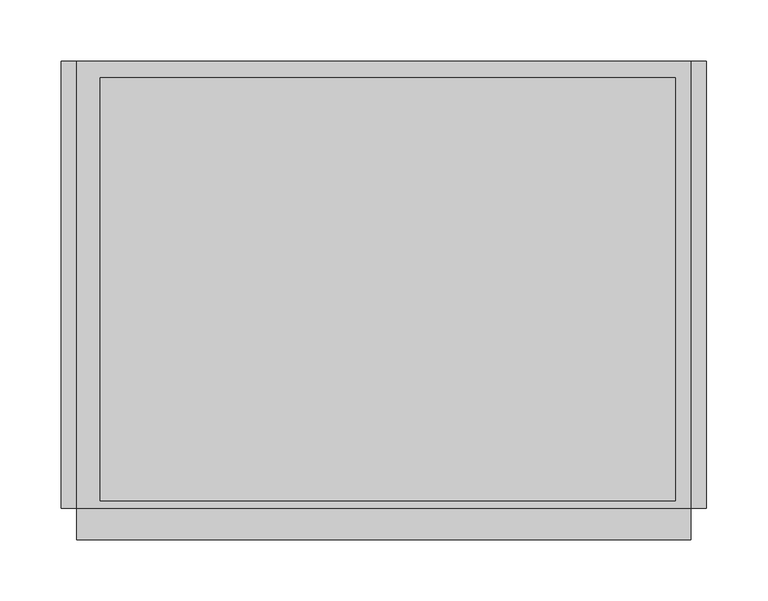
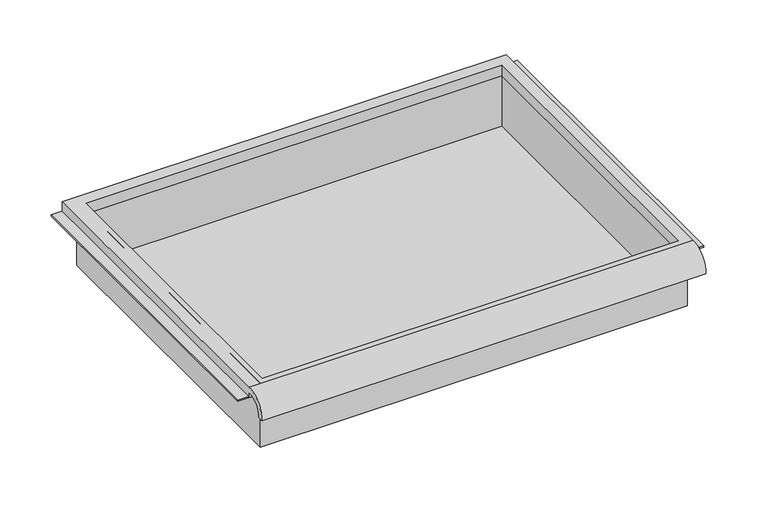
"""IFC4 building model written with IfcOpenShell, lengths in millimetres: furniture geometry."""

from ifc_helpers import new_model, si_unit, frame, origin, place, context, project, spatial, polyline, circle_curve, faceted_brep, source, transform, mapped, element, save
from ifc_brep_helpers import plane_surface, cylinder_surface, revolved_surface, advanced_brep


def furniture_ef9a3467(model_context):
    return source(origin(), model_context, "Body", "SolidModel", [
        advanced_brep(
        [(263.7474999, -195.297482, 812.0035672), (263.7474999, -188.9125, 812.0035672), (263.7474999, -169.8625, 830.2650404), (263.7474999, -169.8625, 823.91504), (263.7474999, 195.2625, 823.91504), (263.7474999, 195.2625, 836.6150404), (263.7474999, -169.8625, 836.6150404), (-237.9025001, -195.297482, 812.0035672), (-237.9025001, -169.8625, 836.6150404), (-237.9025001, 195.2625, 836.6150404), (-237.9025001, 195.2625, 823.91504), (-237.9025001, -169.8625, 823.91504), (-237.9025001, -169.8625, 830.2650404), (-237.9025001, -188.9125, 812.0035672), (251.0474878, 181.9275, 823.91504), (-218.8095642, 181.9275, 823.91504), (-218.8095642, -163.5125, 823.91504), (251.0474878, -163.5125, 823.91504), (-218.8095642, 181.9275, 836.6150404), (251.0474878, 181.9275, 836.6150404), (251.0474878, -163.5125, 836.6150404), (-218.8095642, -163.5125, 836.6150404)],
        [
            (0, 1),
            (1, 2, circle_curve(frame((263.7474999, -172.3404634, 813.7829776), z_axis=(-1.0, 0.0, 0.0), x_axis=(0.0, 1.0, 0.0)), 16.6672942)),
            (2, 3),
            (3, 4),
            (4, 5),
            (5, 6),
            (6, 0, circle_curve(frame((263.7474999, -172.4601678, 813.8508676), z_axis=(1.0, 0.0, 0.0), x_axis=(0.0, 1.0, 0.0)), 22.9119061)),
            (7, 8, circle_curve(frame((-237.9025001, -172.4601678, 813.8508676), z_axis=(-1.0, 0.0, 0.0), x_axis=(0.0, 1.0, 0.0)), 22.9119061)),
            (8, 9),
            (9, 10),
            (10, 11),
            (11, 12),
            (12, 13, circle_curve(frame((-237.9025001, -172.3404634, 813.7829776), z_axis=(1.0, 0.0, 0.0), x_axis=(0.0, 1.0, 0.0)), 16.6672942)),
            (13, 7),
            (0, 7),
            (13, 1),
            (12, 2),
            (11, 3),
            (10, 4),
            (14, 15),
            (15, 16),
            (16, 17),
            (17, 14),
            (9, 5),
            (8, 6),
            (18, 19),
            (19, 20),
            (20, 21),
            (21, 18),
            (14, 19),
            (18, 15),
            (21, 16),
            (20, 17),
        ],
        [
            plane_surface(frame((263.7474999, -195.297482, 812.0035672), z_axis=(1.0, 0.0, 0.0), x_axis=(0.0, 1.0, 0.0))),
            plane_surface(frame((-237.9025001, -195.297482, 812.0035672), z_axis=(-1.0, 0.0, 0.0), x_axis=(0.0, -1.0, 0.0))),
            plane_surface(frame((263.7474999, -195.297482, 812.0035672), z_axis=(0.0, 0.0, -1.0), x_axis=(-1.0, 0.0, 0.0))),
            revolved_surface(polyline([(-237.9025001, -155.67316920000002, 813.7829776), (263.7474999, -155.67316920000002, 813.7829776)]), (-237.9025001, -172.3404634, 813.7829776), (-1.0, 0.0, 0.0)),
            plane_surface(frame((263.7474999, -169.8625, 830.2650404), z_axis=(0.0, -1.0, 0.0), x_axis=(-1.0, 0.0, 0.0))),
            plane_surface(frame((263.7474999, -169.8625, 823.91504), z_axis=(0.0, 0.0, -1.0), x_axis=(-1.0, 0.0, 0.0))),
            plane_surface(frame((263.7474999, 195.2625, 823.91504), z_axis=(0.0, 1.0, 0.0), x_axis=(-1.0, 0.0, 0.0))),
            plane_surface(frame((263.7474999, 195.2625, 836.6150404), z_axis=(0.0, 0.0, 1.0), x_axis=(-1.0, 0.0, 0.0))),
            cylinder_surface(frame((-237.9025001, -172.4601678, 813.8508676), z_axis=(1.0, 0.0, 0.0), x_axis=(0.0, 1.0, 0.0)), 22.9119061),
            plane_surface(frame((251.0474878, 181.9275, 836.6150404), z_axis=(0.0, -1.0, 0.0), x_axis=(0.0, 0.0, -1.0))),
            plane_surface(frame((-218.8095642, 181.9275, 836.6150404), z_axis=(1.0, 0.0, 0.0), x_axis=(0.0, 0.0, -1.0))),
            plane_surface(frame((-218.8095642, -163.5125, 836.6150404), z_axis=(0.0, 1.0, 0.0), x_axis=(0.0, 0.0, -1.0))),
            plane_surface(frame((251.0474878, -163.5125, 836.6150404), z_axis=(-1.0, 0.0, 0.0), x_axis=(0.0, 0.0, -1.0))),
        ],
        [
            (0, [[1, 2, 3, 4, 5, 6, 7]]),
            (1, [[8, 9, 10, 11, 12, 13, 14]]),
            (2, [[-1, 15, -14, 16]]),
            (3, [[-2, -16, -13, 17]]),
            (4, [[-3, -17, -12, 18]]),
            (5, [[-4, -18, -11, 19], [20, 21, 22, 23]]),
            (6, [[-5, -19, -10, 24]]),
            (7, [[-6, -24, -9, 25], [26, 27, 28, 29]]),
            (8, [[-7, -25, -8, -15]]),
            (9, [[30, -26, 31, -20]]),
            (10, [[-31, -29, 32, -21]]),
            (11, [[-32, -28, 33, -22]]),
            (12, [[-30, -23, -33, -27]]),
        ],
    ),
        faceted_brep([(-225.2025001, -169.8625, 760.4150404), (257.3974878, -169.8625, 760.4150404), (257.3974878, -169.8625, 836.6150404), (-225.2025001, -169.8625, 836.6150404), (-225.2025001, 188.9125, 760.4150404), (-225.2025001, 188.9125, 836.6150404), (257.3974878, 188.9125, 836.6150404), (257.3974878, 188.9125, 760.4150404), (-218.8095642, 181.9275, 836.6150404), (251.0474878, 181.9275, 836.6150404), (251.0474878, -163.5125, 836.6150404), (-218.8095642, -163.5125, 836.6150404), (251.0474878, 181.9275, 763.5900404), (-218.8095642, 181.9275, 763.5900404), (-218.8095642, -163.5125, 763.5900404), (251.0474878, -163.5125, 763.5900404)], [[[0, 1, 2, 3]], [[4, 5, 6, 7]], [[1, 0, 4, 7]], [[2, 1, 7, 6]], [[3, 2, 6, 5], [8, 9, 10, 11]], [[0, 3, 5, 4]], [[12, 13, 14, 15]], [[13, 12, 9, 8]], [[14, 13, 8, 11]], [[15, 14, 11, 10]], [[12, 15, 10, 9]]]),
        faceted_brep([(-250.6025001, 195.2625, 823.91504), (-250.6025001, 195.2625, 825.50254), (-231.5525001, 195.2625, 825.50254), (-231.5525001, 195.2625, 823.91504), (-250.6025001, -169.8625, 823.91504), (-231.5525001, -169.8625, 823.91504), (-231.5525001, -169.8625, 825.50254), (-250.6025001, -169.8625, 825.50254)], [[[0, 1, 2, 3]], [[4, 5, 6, 7]], [[1, 0, 4, 7]], [[2, 1, 7, 6]], [[3, 2, 6, 5]], [[0, 3, 5, 4]]]),
        faceted_brep([(276.4474999, 195.2625, 823.91504), (263.7474999, 195.2625, 823.91504), (263.7474999, 195.2625, 825.50254), (276.4474999, 195.2625, 825.50254), (276.4474999, -169.8625, 823.91504), (276.4474999, -169.8625, 825.50254), (263.7474999, -169.8625, 825.50254), (263.7474999, -169.8625, 823.91504)], [[[0, 1, 2, 3]], [[4, 5, 6, 7]], [[1, 0, 4, 7]], [[2, 1, 7, 6]], [[3, 2, 6, 5]], [[0, 3, 5, 4]]]),
    ])


if __name__ == "__main__":
    model = new_model("IFC4")
    model_context = context("Model", 3, world=origin())
    ifc_project = project(units=[si_unit("LENGTHUNIT", "METRE", prefix="MILLI")], contexts=[model_context])
    site = spatial("IfcSite", under=ifc_project)
    building = spatial("IfcBuilding", under=site)
    placement = place(None, origin())
    furniture_shape = furniture_ef9a3467(model_context)
    element("IfcFurniture", 1, at=placement, inside=building, context=model_context, shape_type="MappedRepresentation", body=[
        mapped(furniture_shape, transform((0.0, 0.0, 0.0), x_axis=(1.0, 0.0, 0.0), y_axis=(0.0, 1.0, 0.0), z_axis=(0.0, 0.0, 1.0))),
    ])
    save(model, "model.ifc")
